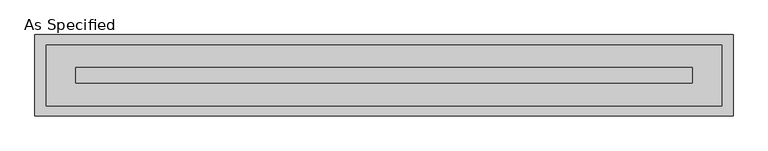
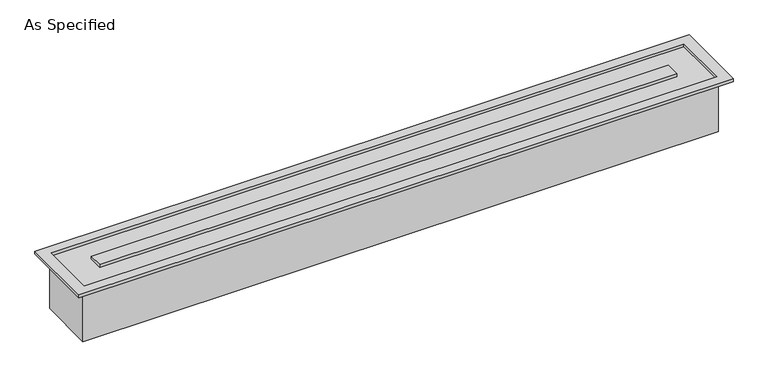
"""IFC4 building model written with IfcOpenShell, lengths in millimetres: proxy geometry, As Specified."""

from ifc_helpers import new_model, si_unit, origin, place, context, project, spatial, faceted_brep, source, transform, mapped, element, save


def as_specified_28ffae6a(model_context):
    return source(origin(), model_context, "Body", "Brep", [
        faceted_brep([(1677.9875, 152.4, -292.1), (1677.9875, -152.4, -292.1), (-1677.9875, -152.4, -292.1), (-1677.9875, 152.4, -292.1), (1670.0499926, -150.812509, 0.0), (1670.0499926, 150.8125043, 0.0), (-1670.0499937, 150.8125043, 0.0), (-1670.0499937, -150.812509, 0.0), (-1524.0000025, 38.0999981, 0.0), (1524.0000013, 38.0999981, 0.0), (1524.0000013, -38.1000028, 0.0), (-1524.0000025, -38.1000028, 0.0), (-1677.9875, 152.4, 0.0), (1677.9875, 152.4, 0.0), (-1677.9875, -152.4, 0.0), (1677.9875, -152.4, 0.0), (1727.2, 201.6125, 15.875), (-1727.2, 201.6125, 15.875), (-1727.2, -201.6125, 15.875), (1727.2, -201.6125, 15.875), (1670.0499926, 150.8125043, 15.875), (1670.0499926, -150.812509, 15.875), (-1670.0499937, -150.812509, 15.875), (-1670.0499937, 150.8125043, 15.875), (1524.0000013, 38.0999981, 15.875), (-1524.0000025, 38.0999981, 15.875), (-1524.0000025, -38.1000028, 15.875), (1524.0000013, -38.1000028, 15.875), (1727.2, 201.6125, 0.0), (1727.2, -201.6125, 0.0), (-1727.2, -201.6125, 0.0), (-1727.2, 201.6125, 0.0)], [[[0, 1, 2, 3]], [[4, 5, 6, 7], [8, 9, 10, 11]], [[0, 3, 12, 13]], [[3, 2, 14, 12]], [[2, 1, 15, 14]], [[1, 0, 13, 15]], [[16, 17, 18, 19], [20, 21, 22, 23]], [[24, 25, 26, 27]], [[28, 29, 30, 31], [13, 12, 14, 15]], [[17, 16, 28, 31]], [[18, 17, 31, 30]], [[19, 18, 30, 29]], [[16, 19, 29, 28]], [[21, 20, 5, 4]], [[22, 21, 4, 7]], [[23, 22, 7, 6]], [[20, 23, 6, 5]], [[25, 24, 9, 8]], [[26, 25, 8, 11]], [[27, 26, 11, 10]], [[24, 27, 10, 9]]]),
    ])


if __name__ == "__main__":
    model = new_model("IFC4")
    model_context = context("Model", 3, world=origin())
    ifc_project = project(units=[si_unit("LENGTHUNIT", "METRE", prefix="MILLI")], contexts=[model_context])
    site = spatial("IfcSite", under=ifc_project)
    building = spatial("IfcBuilding", under=site)
    placement = place(None, origin())
    as_specified_shape = as_specified_28ffae6a(model_context)
    element("IfcBuildingElementProxy", 1, Name="As Specified", ObjectType="As Specified", at=placement, inside=building, context=model_context, shape_type="MappedRepresentation", body=[
        mapped(as_specified_shape, transform((0.0, 0.0, 0.0), x_axis=(1.0, 0.0, 0.0), y_axis=(0.0, 1.0, 0.0), z_axis=(0.0, 0.0, 1.0))),
    ])
    save(model, "model.ifc")
